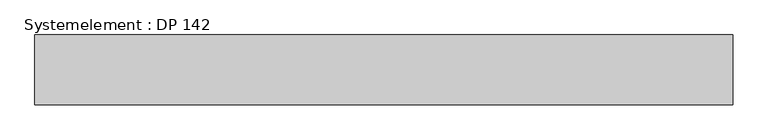
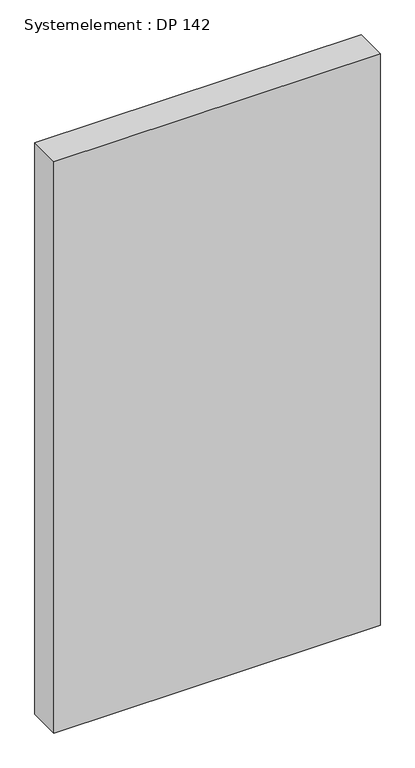
"""IFC4 building model written with IfcOpenShell, lengths in millimetres: plate geometry, Systemelement : DP 142."""

from ifc_helpers import new_model, si_unit, origin, origin_with_axes, place, context, project, spatial, polyline, outline, extrude, source, transform, mapped, element, save


def systemelement_dp_142_790f7e9f(model_context):
    return source(origin(), model_context, "Body", "SweptSolid", [
        extrude(outline(polyline([(500.0, -100.0), (-500.0, -100.0), (-500.0, 0.0), (500.0, 0.0), (500.0, -100.0)])), origin_with_axes(), (0.0, 0.0, 1.0), 1851.6147161),
    ])


if __name__ == "__main__":
    model = new_model("IFC4")
    model_context = context("Model", 3, world=origin())
    ifc_project = project(units=[si_unit("LENGTHUNIT", "METRE", prefix="MILLI")], contexts=[model_context])
    site = spatial("IfcSite", under=ifc_project)
    building = spatial("IfcBuilding", under=site)
    placement = place(None, origin())
    systemelement_dp_142_shape = systemelement_dp_142_790f7e9f(model_context)
    element("IfcPlate", 1, ObjectType="Systemelement : DP 142", at=placement, inside=building, context=model_context, shape_type="MappedRepresentation", body=[
        mapped(systemelement_dp_142_shape, transform((0.0, 0.0, 0.0), x_axis=(1.0, 0.0, 0.0), y_axis=(0.0, 1.0, 0.0), z_axis=(0.0, 0.0, 1.0))),
    ])
    save(model, "model.ifc")
